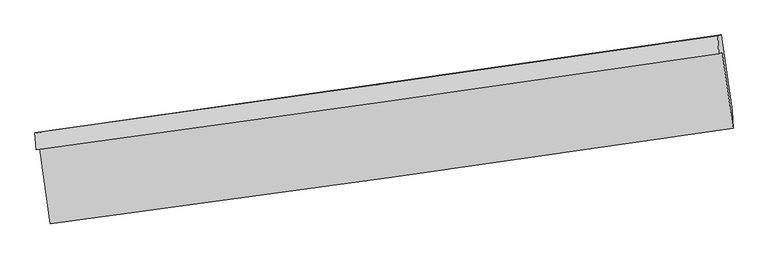
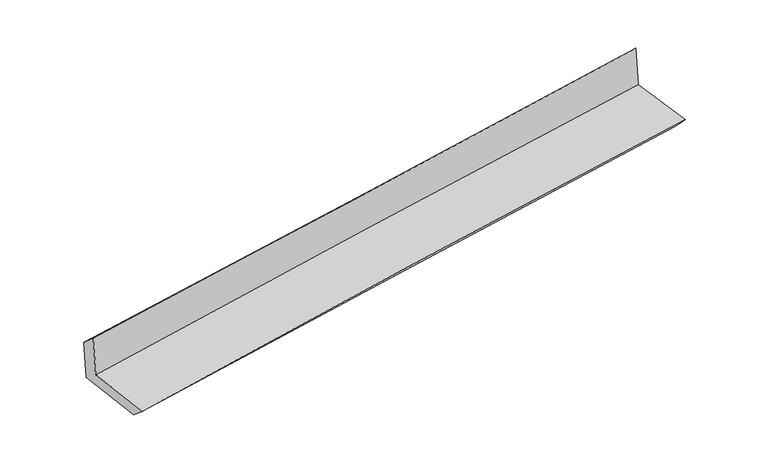
"""IFC4 building model written with IfcOpenShell, lengths in millimetres: proxy geometry."""

from ifc_helpers import new_model, si_unit, frame, origin, place, context, project, spatial, source, transform, mapped, element, save
from ifc_brep_helpers import plane_surface, spline_curve, spline_surface, advanced_brep


def generic_models_4b3ddd2d(model_context):
    return source(origin(), model_context, "Body", "AdvancedBrep", [
        advanced_brep(
        [(-2996.9598801, -1919.675641, 1645.5944312), (-2905.1923976, -2574.8471726, 1625.5093064), (3044.8490534, -1743.7237972, 2145.0255107), (2951.5165785, -1082.7454153, 2150.3866533), (-3029.1943173, -1929.5753647, 2050.9509035), (2919.3054645, -1093.0357387, 2555.734441), (-3038.8244221, -1783.6893491, 1925.0705482), (2910.3469793, -937.0127933, 2399.5623413), (-3007.8334383, -1776.1792963, 1538.6824193), (2940.5771793, -929.6906871, 2023.0951162), (-2914.2209721, -2434.885206, 1502.2010814), (3036.1709395, -1588.4567049, 1986.7560353)],
        [
            (0, 1),
            (1, 2, spline_curve(3, [(-2905.1923976, -2574.8471726, 1625.5093064), (-1914.019628392, -2443.200315019, 1730.536144814), (-922.56102685, -2308.111413273, 1826.345014396), (1060.786205385, -2031.069304864, 1999.514449499), (2052.674753774, -1889.117081797, 2076.877648328), (3044.8490534, -1743.7237972, 2145.0255107)], [4, 2, 4], [0.0, 9.891528126658025, 19.781643591901823])),
            (2, 3),
            (3, 0, spline_curve(3, [(2951.5165785, -1082.7454153, 2150.3866533), (1959.738840526, -1227.330068891, 2079.834997376), (968.178984571, -1369.36178266, 2002.4966395), (-1014.646564181, -1648.339253886, 1834.23450464), (-2005.912193881, -1785.284282003, 1743.308788301), (-2996.9598801, -1919.675641, 1645.5944312)], [4, 2, 4], [0.0, 9.890115465243797, 19.781643591901823])),
            (4, 0),
            (3, 5),
            (5, 4, spline_curve(3, [(2919.3054645, -1093.0357387, 2555.734441), (1928.596174263, -1237.347054826, 2471.902301214), (937.56863682, -1379.209544731, 2387.923951191), (-1045.264533174, -1658.056786515, 2219.66281362), (-2037.070255974, -1795.040838456, 2135.379984919), (-3029.1943173, -1929.5753647, 2050.9509035)], [4, 2, 4], [0.0, 9.88819672981105, 19.777805846972438])),
            (6, 4),
            (5, 7),
            (7, 6, spline_curve(3, [(2910.3469793, -937.0127933, 2399.5623413), (1919.329387388, -1079.690590588, 2317.566925703), (928.091727653, -1221.580886937, 2237.030954632), (-1054.965342996, -1503.806630177, 2078.866606418), (-2046.784817205, -1644.141852928, 2001.238646573), (-3038.8244221, -1783.6893491, 1925.0705482)], [4, 2, 4], [0.0, 9.88774815959813, 19.776908642474766])),
            (8, 6),
            (7, 9),
            (9, 8, spline_curve(3, [(2940.5771793, -929.6906871, 2023.0951162), (1949.425853671, -1072.400345232, 1942.699536803), (958.18471194, -1214.290912833, 1862.136916757), (-1024.618801777, -1496.454016408, 1700.666065567), (-2016.181199172, -1636.726318556, 1619.757786278), (-3007.8334383, -1776.1792963, 1538.6824193)], [4, 2, 4], [0.0, 9.887465769517954, 19.776343821979033])),
            (10, 8),
            (9, 11),
            (11, 10, spline_curve(3, [(3036.1709395, -1588.4567049, 1986.7560353), (2044.716160254, -1731.185089034, 1906.336834958), (1053.158196371, -1873.080011684, 1825.750551075), (-930.305744771, -2155.223083727, 1664.232280662), (-1922.211751385, -2295.470994549, 1583.300247006), (-2914.2209721, -2434.885206, 1502.2010814)], [4, 2, 4], [0.0, 9.88908376107373, 19.779580036197515])),
            (1, 10),
            (11, 2),
        ],
        [
            spline_surface(3, 3, [[(-2996.9598801, -1919.675641, 1645.5944312), (-2005.912193989, -1785.284281873, 1743.308788198), (-1014.646564035, -1648.339253907, 1834.234504503), (968.178984425, -1369.361782639, 2002.496639637), (1959.738840645, -1227.330068733, 2079.834997354), (2951.5165785, -1082.7454153, 2150.3866533)], [(-2966.370719253, -2138.066151524, 1638.899389581), (-1975.281338791, -2004.589626259, 1739.051240353), (-983.95138493, -1868.263306995, 1831.604674434), (999.04805803, -1589.93095674, 2001.502576307), (1990.717478382, -1447.92573972, 2078.849214268), (2982.62740346, -1303.07154259, 2148.59960574)], [(-2935.781558447, -2356.456662076, 1632.204348019), (-1944.650483632, -2223.894970675, 1734.793692565), (-953.256205818, -2088.187360095, 1828.974844341), (1029.917131644, -1810.500130852, 2000.508512953), (2021.69611614, -1668.521410739, 2077.863431263), (3013.73822844, -1523.39766991, 2146.81255826)], [(-2905.1923976, -2574.8471726, 1625.5093064), (-1914.019628434, -2443.200315061, 1730.53614472), (-922.561026713, -2308.111413184, 1826.345014272), (1060.786205249, -2031.069304953, 1999.514449624), (2052.674753877, -1889.117081726, 2076.877648177), (3044.8490534, -1743.7237972, 2145.0255107)]], [4, 4], [4, 2, 4], [0.0, 2.1889235493838237], [0.0, 9.891528126658025, 19.781643591901823]),
            spline_surface(3, 3, [[(-3029.1943173, -1929.5753647, 2050.9509035), (-2037.070255946, -1795.040838308, 2135.379984766), (-1045.26453302, -1658.056786424, 2219.662813709), (937.568636666, -1379.209544822, 2387.923951102), (1928.596174326, -1237.347054691, 2471.902301331), (2919.3054645, -1093.0357387, 2555.734441)], [(-3018.449504889, -1926.275456815, 1915.83207942), (-2026.684235283, -1791.788652845, 2004.68958593), (-1035.058543379, -1654.817608925, 2091.186710645), (947.772085899, -1375.926957434, 2259.448180619), (1938.977063115, -1234.008059365, 2341.213200033), (2930.042502516, -1089.605630894, 2420.618511794)], [(-3007.704692511, -1922.975548885, 1780.71325528), (-2016.298214652, -1788.536467336, 1873.999187034), (-1024.852553676, -1651.578431407, 1962.710607566), (957.975535192, -1372.644370027, 2130.97241012), (1949.357951856, -1230.669064058, 2210.524098652), (2940.779540484, -1086.175523106, 2285.502582506)], [(-2996.9598801, -1919.675641, 1645.5944312), (-2005.912193989, -1785.284281873, 1743.308788198), (-1014.646564035, -1648.339253907, 1834.234504503), (968.178984425, -1369.361782639, 2002.496639637), (1959.738840645, -1227.330068733, 2079.834997354), (2951.5165785, -1082.7454153, 2150.3866533)]], [4, 4], [4, 2, 4], [0.0, 1.2689155629827773], [0.0, 9.889609117161388, 19.777805846972438]),
            spline_surface(3, 3, [[(-3038.8244221, -1783.6893491, 1925.0705482), (-2046.784817218, -1644.141852942, 2001.23864656), (-1054.965343124, -1503.806630338, 2078.866606536), (928.091727781, -1221.580886777, 2237.030954514), (1919.329387534, -1079.690590738, 2317.566925584), (2910.3469793, -937.0127933, 2399.5623413)], [(-3035.614387187, -1832.318020975, 1967.030666617), (-2043.546630147, -1694.441514739, 2045.952425945), (-1051.731739742, -1555.223349031, 2125.798675611), (931.250697423, -1274.123772789, 2287.32862006), (1922.418316476, -1132.242745383, 2369.012050821), (2913.333141045, -989.02044176, 2451.619707854)], [(-3032.404352213, -1880.946692825, 2008.990785083), (-2040.308443017, -1744.741176511, 2090.666205381), (-1048.498136402, -1606.640067731, 2172.730744634), (934.409667024, -1326.666658809, 2337.626285556), (1925.507245384, -1184.794900046, 2420.457176094), (2916.319302755, -1041.02809024, 2503.677074446)], [(-3029.1943173, -1929.5753647, 2050.9509035), (-2037.070255946, -1795.040838308, 2135.379984766), (-1045.26453302, -1658.056786424, 2219.662813709), (937.568636666, -1379.209544822, 2387.923951102), (1928.596174326, -1237.347054691, 2471.902301331), (2919.3054645, -1093.0357387, 2555.734441)]], [4, 4], [4, 2, 4], [0.0, 0.7012054268516781], [0.0, 9.889160482876635, 19.776908642474766]),
            spline_surface(3, 3, [[(-3007.8334383, -1776.1792963, 1538.6824193), (-2016.181199044, -1636.726318667, 1619.757786416), (-1024.618801702, -1496.454016491, 1700.666065548), (958.184711866, -1214.29091275, 1862.136916776), (1949.425853668, -1072.400345193, 1942.699536644), (2940.5771793, -929.6906871, 2023.0951162)], [(-3018.163766211, -1778.682647207, 1667.478462262), (-2026.38240508, -1639.198163399, 1746.918073126), (-1034.734315513, -1498.904887778, 1826.732912516), (948.153717167, -1216.720904097, 1987.101595995), (1939.393698261, -1074.830427036, 2067.655332962), (2930.500445937, -932.131389162, 2148.584191238)], [(-3028.494094189, -1781.185998193, 1796.274505238), (-2036.583611182, -1641.67000821, 1874.07835985), (-1044.849829313, -1501.355759051, 1952.799759567), (938.12272248, -1219.15089543, 2112.066275295), (1929.361542942, -1077.260508894, 2192.611129266), (2920.423712663, -934.572091238, 2274.073266262)], [(-3038.8244221, -1783.6893491, 1925.0705482), (-2046.784817218, -1644.141852942, 2001.23864656), (-1054.965343124, -1503.806630338, 2078.866606536), (928.091727781, -1221.580886777, 2237.030954514), (1919.329387534, -1079.690590738, 2317.566925584), (2910.3469793, -937.0127933, 2399.5623413)]], [4, 4], [4, 2, 4], [0.0, 1.2395969874007584], [0.0, 9.888878052461079, 19.776343821979033]),
            spline_surface(3, 3, [[(-2914.2209721, -2434.885206, 1502.2010814), (-1922.211751473, -2295.470994501, 1583.300246849), (-930.305744721, -2155.223083597, 1664.232280749), (1053.158196322, -1873.080011813, 1825.750550989), (2044.716160126, -1731.185088959, 1906.33683504), (3036.1709395, -1588.4567049, 1986.7560353)], [(-2945.425127527, -2215.316569462, 1514.361527378), (-1953.534900691, -2075.889435919, 1595.45276005), (-961.743430387, -1935.633394543, 1676.376875694), (1021.500368165, -1653.48364544, 1837.879339597), (2012.952724652, -1511.59017437, 1918.457735562), (3004.306352779, -1368.8680323, 1998.869062254)], [(-2976.629282873, -1995.747932838, 1526.521973322), (-1984.858049827, -1856.307877249, 1607.605273216), (-993.181116037, -1716.043705545, 1688.521470602), (989.842540023, -1433.887279123, 1850.008128168), (1981.189289142, -1291.995259782, 1930.578636121), (2972.441766021, -1149.2793597, 2010.982089246)], [(-3007.8334383, -1776.1792963, 1538.6824193), (-2016.181199044, -1636.726318667, 1619.757786416), (-1024.618801702, -1496.454016491, 1700.666065548), (958.184711866, -1214.29091275, 1862.136916776), (1949.425853668, -1072.400345193, 1942.699536644), (2940.5771793, -929.6906871, 2023.0951162)]], [4, 4], [4, 2, 4], [0.0, 2.1868044783193508], [0.0, 9.890496275123786, 19.779580036197515]),
            spline_surface(3, 3, [[(-2905.1923976, -2574.8471726, 1625.5093064), (-1914.019628434, -2443.200315061, 1730.53614472), (-922.561026713, -2308.111413184, 1826.345014272), (1060.786205249, -2031.069304953, 1999.514449624), (2052.674753877, -1889.117081726, 2076.877648177), (3044.8490534, -1743.7237972, 2145.0255107)], [(-2908.201922433, -2528.193183717, 1584.406564742), (-1916.750336113, -2393.957208192, 1681.457512105), (-925.142599365, -2257.148636669, 1772.307436416), (1058.243535625, -1978.406207254, 1941.593150064), (2050.02188929, -1836.473084165, 2020.030710484), (3041.956348764, -1691.968099794, 2092.269018919)], [(-2911.211447267, -2481.539194883, 1543.303823058), (-1919.481043794, -2344.71410137, 1632.378879464), (-927.72417207, -2206.185860112, 1718.269858605), (1055.700865946, -1925.743109512, 1883.671850549), (2047.369024712, -1783.829086521, 1963.183772733), (3039.063644136, -1640.212402306, 2039.512527081)], [(-2914.2209721, -2434.885206, 1502.2010814), (-1922.211751473, -2295.470994501, 1583.300246849), (-930.305744721, -2155.223083597, 1664.232280749), (1053.158196322, -1873.080011813, 1825.750550989), (2044.716160126, -1731.185088959, 1906.33683504), (3036.1709395, -1588.4567049, 1986.7560353)]], [4, 4], [4, 2, 4], [0.0, 0.7511847422288818], [0.0, 9.89253625714878, 19.78365970890689]),
            plane_surface(frame((2967.1276991, -1229.1108561, 2210.0933496), z_axis=(0.986938840340822, 0.13869456226776372, 0.08194842173017958), x_axis=(-0.08002700577576823, -0.019383471902186995, 0.9966042140005141))),
            plane_surface(frame((-2982.0375712, -2069.8086716, 1714.668115), z_axis=(-0.9873528581459711, -0.13578625127806898, -0.08183170213817574), x_axis=(-0.13864840284220303, 0.9898766308683372, 0.0303459395975131))),
        ],
        [
            (0, [[1, 2, 3, 4]]),
            (1, [[5, -4, 6, 7]]),
            (2, [[8, -7, 9, 10]]),
            (3, [[11, -10, 12, 13]]),
            (4, [[14, -13, 15, 16]]),
            (5, [[17, -16, 18, -2]]),
            (6, [[-12, -9, -6, -3, -18, -15]]),
            (7, [[-1, -5, -8, -11, -14, -17]]),
        ],
    ),
    ])


if __name__ == "__main__":
    model = new_model("IFC4")
    model_context = context("Model", 3, world=origin())
    ifc_project = project(units=[si_unit("LENGTHUNIT", "METRE", prefix="MILLI")], contexts=[model_context])
    site = spatial("IfcSite", under=ifc_project)
    building = spatial("IfcBuilding", under=site)
    placement = place(None, origin())
    generic_models_shape = generic_models_4b3ddd2d(model_context)
    element("IfcBuildingElementProxy", 1, Name="Generic Models", at=placement, inside=building, context=model_context, shape_type="MappedRepresentation", body=[
        mapped(generic_models_shape, transform((0.0, 0.0, 0.0), x_axis=(1.0, 0.0, 0.0), y_axis=(0.0, 1.0, 0.0), z_axis=(0.0, 0.0, 1.0))),
    ])
    save(model, "model.ifc")
